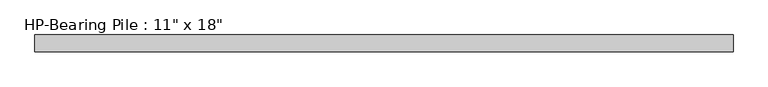
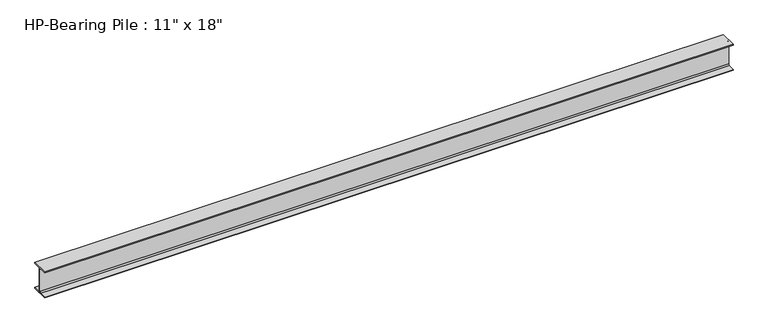
"""IFC4 building model written with IfcOpenShell, lengths in millimetres: beam geometry."""

from ifc_helpers import new_model, si_unit, point, frame, frame_2d, origin, place, context, project, spatial, polyline, circle_curve, trimmed, segment, composite_curve, outline, extrude, source, transform, mapped, element, save


def beam_88ca2452(model_context):
    return source(origin(), model_context, "Body", "SweptSolid", [
        extrude(outline(composite_curve([segment(polyline([(139.7, -215.503125), (139.7, -228.6), (-139.7, -228.6), (-139.7, -215.503125), (-25.2015625, -215.503125)]), True, "CONTINUOUS"), segment(trimmed(circle_curve(frame_2d((-25.2015625, -196.85)), 18.653125), [point((-25.2015625, -215.503125))], [point((-6.5484375, -196.85))], True, "CARTESIAN"), True, "CONTINUOUS"), segment(polyline([(-6.5484375, -196.85), (-6.5484375, 196.85)]), True, "CONTINUOUS"), segment(trimmed(circle_curve(frame_2d((-25.2015625, 196.85)), 18.653125), [point((-6.5484375, 196.85))], [point((-25.2015625, 215.503125))], True, "CARTESIAN"), True, "CONTINUOUS"), segment(polyline([(-25.2015625, 215.503125), (-139.7, 215.503125), (-139.7, 228.6), (139.7, 228.6), (139.7, 215.503125), (25.2015625, 215.503125)]), True, "CONTINUOUS"), segment(trimmed(circle_curve(frame_2d((25.2015625, 196.85)), 18.653125), [point((25.2015625, 215.503125))], [point((6.5484375, 196.85))], True, "CARTESIAN"), True, "CONTINUOUS"), segment(polyline([(6.5484375, 196.85), (6.5484375, -196.85)]), True, "CONTINUOUS"), segment(trimmed(circle_curve(frame_2d((25.2015625, -196.85)), 18.653125), [point((6.5484375, -196.85))], [point((25.2015625, -215.503125))], True, "CARTESIAN"), True, "CONTINUOUS"), segment(polyline([(25.2015625, -215.503125), (139.7, -215.503125)]), True, "CONTINUOUS")], self_intersect=False)), frame((-5768.5817084, 0.0, 0.0), z_axis=(1.0, 0.0, 0.0), x_axis=(0.0, 1.0, 0.0)), (0.0, 0.0, 1.0), 11537.1634168),
    ])


if __name__ == "__main__":
    model = new_model("IFC4")
    model_context = context("Model", 3, world=origin())
    ifc_project = project(units=[si_unit("LENGTHUNIT", "METRE", prefix="MILLI")], contexts=[model_context])
    site = spatial("IfcSite", under=ifc_project)
    building = spatial("IfcBuilding", under=site)
    placement = place(None, origin())
    beam_shape = beam_88ca2452(model_context)
    element("IfcBeam", 1, ObjectType="HP-Bearing Pile : 11\" x 18\"", at=placement, inside=building, context=model_context, shape_type="MappedRepresentation", body=[
        mapped(beam_shape, transform((0.0, 0.0, 0.0), x_axis=(1.0, 0.0, 0.0), y_axis=(0.0, 1.0, 0.0), z_axis=(0.0, 0.0, 1.0))),
    ])
    save(model, "model.ifc")
